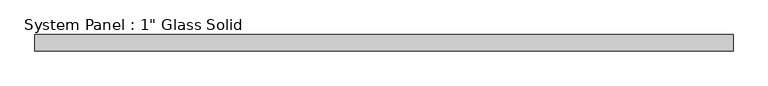
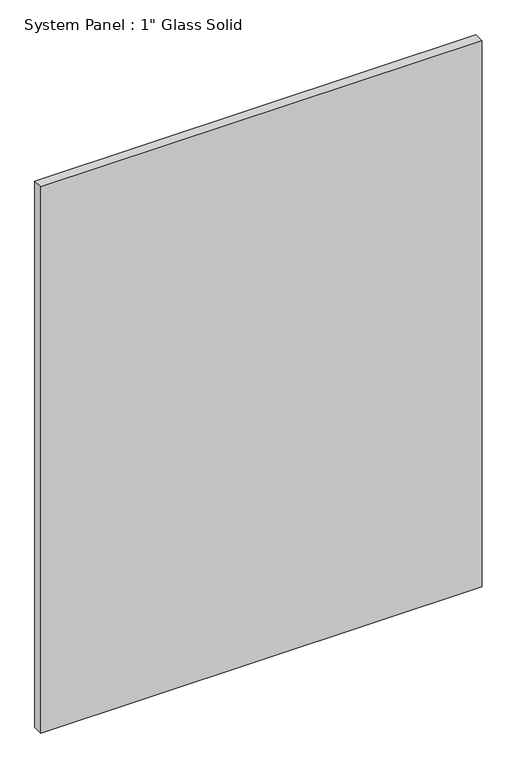
"""IFC4 building model written with IfcOpenShell, lengths in millimetres: plate geometry."""

from ifc_helpers import new_model, si_unit, origin, origin_with_axes, place, context, project, spatial, polyline, outline, extrude, source, transform, mapped, element, save


def plate_9fbdacab(model_context):
    return source(origin(), model_context, "Body", "SweptSolid", [
        extrude(outline(polyline([(548.2680865, -12.7), (-548.2680865, -12.7), (-548.2680865, 12.7), (548.2680865, 12.7), (548.2680865, -12.7)])), origin_with_axes(), (0.0, 0.0, 1.0), 1433.8317704),
    ])


if __name__ == "__main__":
    model = new_model("IFC4")
    model_context = context("Model", 3, world=origin())
    ifc_project = project(units=[si_unit("LENGTHUNIT", "METRE", prefix="MILLI")], contexts=[model_context])
    site = spatial("IfcSite", under=ifc_project)
    building = spatial("IfcBuilding", under=site)
    placement = place(None, origin())
    plate_shape = plate_9fbdacab(model_context)
    element("IfcPlate", 1, ObjectType="System Panel : 1\" Glass Solid", at=placement, inside=building, context=model_context, shape_type="MappedRepresentation", body=[
        mapped(plate_shape, transform((0.0, 0.0, 0.0), x_axis=(1.0, 0.0, 0.0), y_axis=(0.0, 1.0, 0.0), z_axis=(0.0, 0.0, 1.0))),
    ])
    save(model, "model.ifc")
